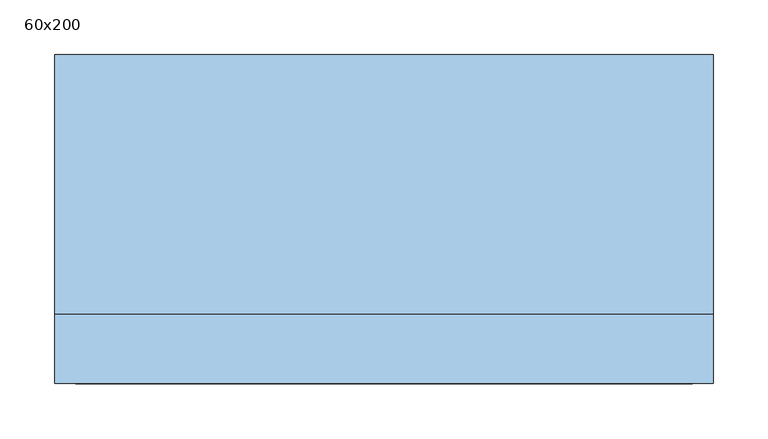
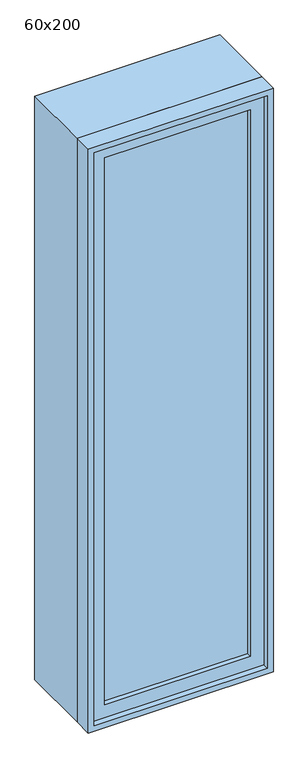
"""IFC4 building model written with IfcOpenShell, lengths in millimetres: window geometry, 60x200."""

from ifc_helpers import new_model, si_unit, frame, origin, place, context, project, spatial, polyline, outline, extrude, source, transform, mapped, element, save


def window_60x200_89d83eed(model_context):
    return source(origin(), model_context, "Body", "SweptSolid", [
        extrude(outline(polyline([(198.4, -102.375), (198.4, -115.075), (-274.6, -115.075), (-274.6, -102.375), (198.4, -102.375)])), frame((0.0, 0.0, 977.9), z_axis=(0.0, 0.0, 1.0), x_axis=(1.0, 0.0, 0.0)), (0.0, 0.0, 1.0), 1873.0),
        extrude(outline(polyline([(2895.35, -319.05), (933.45, -319.05), (933.45, 242.85), (2895.35, 242.85), (2895.35, -319.05)]), holes=[polyline([(2850.9, -274.6), (2850.9, 198.4), (977.9, 198.4), (977.9, -274.6), (2850.9, -274.6)])]), frame((0.0, -130.95, 0.0), z_axis=(0.0, 1.0, 0.0), x_axis=(0.0, 0.0, 1.0)), (0.0, 0.0, 1.0), 44.45),
        extrude(outline(polyline([(2914.4, -338.1), (914.4, -338.1), (914.4, 261.9), (2914.4, 261.9), (2914.4, -338.1)]), holes=[polyline([(2882.65, -306.35), (2882.65, 230.15), (946.15, 230.15), (946.15, -306.35), (2882.65, -306.35)])]), frame((0.0, -86.5, 0.0), z_axis=(0.0, 1.0, 0.0), x_axis=(0.0, 0.0, 1.0)), (0.0, 0.0, 1.0), 236.5),
        extrude(outline(polyline([(2914.4, 261.9), (2914.4, -338.1), (914.4, -338.1), (914.4, 261.9), (2914.4, 261.9)]), holes=[polyline([(2895.35, 242.85), (933.45, 242.85), (933.45, -319.05), (2895.35, -319.05), (2895.35, 242.85)])]), frame((0.0, -150.0, 0.0), z_axis=(0.0, 1.0, 0.0), x_axis=(0.0, 0.0, 1.0)), (0.0, 0.0, 1.0), 63.5),
    ])


if __name__ == "__main__":
    model = new_model("IFC4")
    model_context = context("Model", 3, world=origin())
    ifc_project = project(units=[si_unit("LENGTHUNIT", "METRE", prefix="MILLI")], contexts=[model_context])
    site = spatial("IfcSite", under=ifc_project)
    building = spatial("IfcBuilding", under=site)
    placement = place(None, origin())
    window_60x200_shape = window_60x200_89d83eed(model_context)
    element("IfcWindow", 1, ObjectType="60x200", at=placement, inside=building, context=model_context, shape_type="MappedRepresentation", body=[
        mapped(window_60x200_shape, transform((0.0, 0.0, 0.0), x_axis=(1.0, 0.0, 0.0), y_axis=(0.0, 1.0, 0.0), z_axis=(0.0, 0.0, 1.0))),
    ])
    save(model, "model.ifc")
